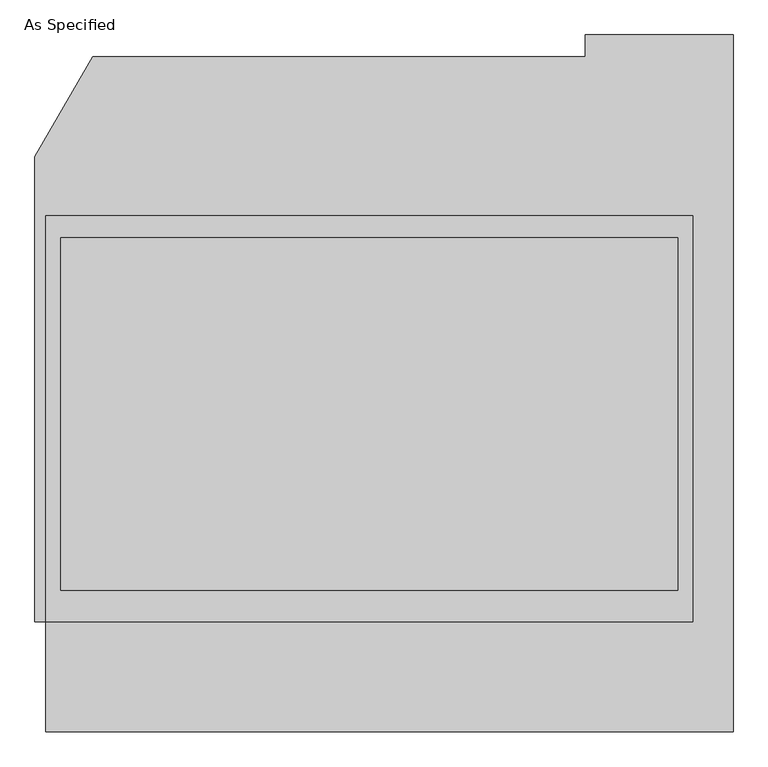
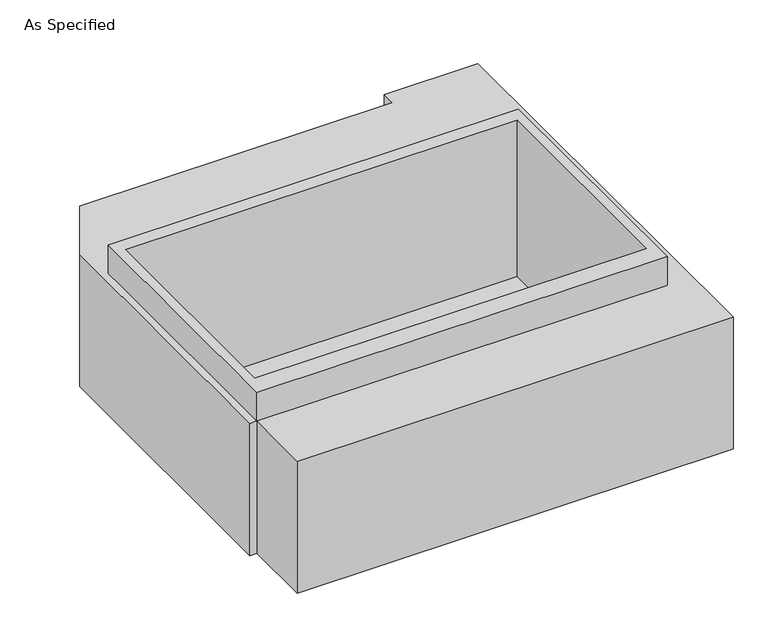
"""IFC4 building model written with IfcOpenShell, lengths in millimetres: proxy geometry, As Specified."""

import ifcopenshell
import ifcopenshell.guid

model = None  # the IFC model being written
_history = None  # IfcOwnerHistory: only IFC2X3 demands one
_inside = {}  # id of a spatial element -> (the spatial element, [elements in it])
_under = {}  # id of a project, library or spatial element -> (it, [spatial elements below it])
_declared = {}  # id of a project -> (the project, [libraries it declares])
_typed = {}  # id of a type object -> (the type object, [elements of that type])
_made_of = {}  # id of a material, layer set ... -> (it, [elements and type objects made of it])


def new_model(schema):
    """Start an empty IFC model of exactly this schema.

    Asked for "IFC4X3", IfcOpenShell would pick the latest addendum, in which some entities
    have other attributes; the version numbers below select the first issue.
    IFC2X3 requires an IfcOwnerHistory on every rooted entity: one is made here for all.
    """
    global model, _history
    if schema == "IFC4X3":
        model = ifcopenshell.file(schema_version=(4, 3, 0, 0))
    else:
        model = ifcopenshell.file(schema=schema)
    _inside.clear()
    _under.clear()
    _declared.clear()
    _typed.clear()
    _made_of.clear()
    _history = None
    if model.schema == "IFC2X3":
        org = make("IfcOrganization", Name="unknown")
        user = make(
            "IfcPersonAndOrganization",
            ThePerson=make("IfcPerson", FamilyName="unknown"),
            TheOrganization=org,
        )
        app = make(
            "IfcApplication",
            ApplicationDeveloper=org,
            Version="unknown",
            ApplicationFullName="unknown",
            ApplicationIdentifier="unknown",
        )
        _history = make(
            "IfcOwnerHistory",
            OwningUser=user,
            OwningApplication=app,
            ChangeAction="ADDED",
            CreationDate=0,
        )
    return model


def make(cls, **values):
    """One entity of the class cls with the attributes given. An attribute that is None is left unset."""
    return model.create_entity(
        cls, **{name: value for name, value in values.items() if value is not None}
    )


def rooted(cls, **values):
    """An entity with a GlobalId (a new one), such as an element, a storey or a relation."""
    return make(cls, GlobalId=ifcopenshell.guid.new(), OwnerHistory=_history, **values)


def si_unit(unit_type, name, prefix=None):
    """IfcSIUnit, for example si_unit("LENGTHUNIT", "METRE", prefix="MILLI")."""
    return make("IfcSIUnit", UnitType=unit_type, Prefix=prefix, Name=name)


def assignment(units):
    """IfcUnitAssignment: the units of a project."""
    return None if units is None else make("IfcUnitAssignment", Units=units)


def point(xyz):
    """IfcCartesianPoint."""
    return None if xyz is None else make("IfcCartesianPoint", Coordinates=xyz)


def direction(xyz):
    """IfcDirection."""
    return None if xyz is None else make("IfcDirection", DirectionRatios=xyz)


def frame(location, z_axis=None, x_axis=None):
    """IfcAxis2Placement3D, a coordinate frame: its origin and axes. An axis left out is left unset."""
    return make(
        "IfcAxis2Placement3D",
        Location=point(location),
        Axis=direction(z_axis),
        RefDirection=direction(x_axis),
    )


def origin():
    """The frame at (0, 0, 0) with its axes left unset."""
    return frame((0.0, 0.0, 0.0))


def place(relative_to, where):
    """IfcLocalPlacement: puts the frame where relative to a parent placement (None: the world)."""
    return make(
        "IfcLocalPlacement", PlacementRelTo=relative_to, RelativePlacement=where
    )


def context(
    kind, dimensions, precision=None, world=None, true_north=None, identifier=None
):
    """IfcGeometricRepresentationContext, for example the 3D "Model" context."""
    return make(
        "IfcGeometricRepresentationContext",
        ContextIdentifier=identifier,
        ContextType=kind,
        CoordinateSpaceDimension=dimensions,
        Precision=precision,
        WorldCoordinateSystem=world,
        TrueNorth=true_north,
    )


def project(units=None, contexts=None):
    """IfcProject with its units and contexts."""
    return rooted(
        "IfcProject",
        Name="project",
        RepresentationContexts=contexts,
        UnitsInContext=assignment(units),
    )


def spatial(cls, under=None, at=None, **own):
    """A site, building, storey or space (cls), placed at a placement, below another one or the project."""
    s = rooted(cls, ObjectPlacement=at, **own)
    if under is not None:
        _under.setdefault(under.id(), (under, []))[1].append(s)
    return s


def faces_of(points, faces, orient=None, outer=None):
    """IfcFace entities. A face is a list of loops; a loop is a list of indices into points, from 0.

    orient and outer hold one flag for each loop. By default every Orientation is true, the
    first loop of a face is its IfcFaceOuterBound and the others are IfcFaceBound.
    """
    made = []
    for i, loops in enumerate(faces):
        bounds = []
        for j, loop in enumerate(loops):
            is_outer = j == 0 if outer is None else outer[i][j]
            bounds.append(
                make(
                    "IfcFaceOuterBound" if is_outer else "IfcFaceBound",
                    Bound=make("IfcPolyLoop", Polygon=[points[k] for k in loop]),
                    Orientation=True if orient is None else orient[i][j],
                )
            )
        made.append(make("IfcFace", Bounds=bounds))
    return made


def faceted_brep(points, faces, orient=None, outer=None, voids=None):
    """IfcFacetedBrep: a solid bounded by flat faces; with voids (closed shells), ...WithVoids."""
    shared = [point(p) for p in points]
    hull = make("IfcClosedShell", CfsFaces=faces_of(shared, faces, orient, outer))
    if voids is None:
        return make("IfcFacetedBrep", Outer=hull)
    return make(
        "IfcFacetedBrepWithVoids",
        Outer=hull,
        Voids=[
            make(cls, CfsFaces=faces_of(shared, fs, o, b)) for cls, fs, o, b in voids
        ],
    )


def shape(context_of_items, identifier, shape_type, items):
    """IfcShapeRepresentation: the items that make up one representation, for example the "Body"."""
    return make(
        "IfcShapeRepresentation",
        ContextOfItems=context_of_items,
        RepresentationIdentifier=identifier,
        RepresentationType=shape_type,
        Items=items,
    )


def source(mapping_origin, context_of_items, identifier, shape_type, items):
    """IfcRepresentationMap: a shape defined once, which mapped items show again and again."""
    return make(
        "IfcRepresentationMap",
        MappingOrigin=mapping_origin,
        MappedRepresentation=shape(context_of_items, identifier, shape_type, items),
    )


def transform(
    local_origin,
    x_axis=None,
    y_axis=None,
    z_axis=None,
    scale=None,
    scale2=None,
    scale3=None,
    uniform=True,
):
    """IfcCartesianTransformationOperator3D, or its non-uniform kind. x_axis, y_axis, z_axis: its Axis1, 2, 3."""
    if uniform:
        return make(
            "IfcCartesianTransformationOperator3D",
            Axis1=direction(x_axis),
            Axis2=direction(y_axis),
            LocalOrigin=point(local_origin),
            Scale=scale,
            Axis3=direction(z_axis),
        )
    return make(
        "IfcCartesianTransformationOperator3DnonUniform",
        Axis1=direction(x_axis),
        Axis2=direction(y_axis),
        LocalOrigin=point(local_origin),
        Scale=scale,
        Axis3=direction(z_axis),
        Scale2=scale2,
        Scale3=scale3,
    )


def mapped(mapping_source, mapping_target):
    """IfcMappedItem: shows the shape of a source again, moved by a transform."""
    return make(
        "IfcMappedItem", MappingSource=mapping_source, MappingTarget=mapping_target
    )


def made_of(thing, what):
    """Note that an element or type object is made of a material, layer set ...; save() writes the relation."""
    if what is not None:
        _made_of.setdefault(what.id(), (what, []))[1].append(thing)
    return thing


def element(
    cls,
    number,
    at=None,
    inside=None,
    cuts=None,
    type_object=None,
    material=None,
    context=None,
    identifier="Body",
    shape_type=None,
    held_by="IfcProductDefinitionShape",
    body=None,
    shapes=None,
    **own,
):
    """One element of the class cls, such as IfcWall. Its Tag is "e" and its number.

    at: its placement. inside: the storey or other place that contains it. cuts: it is an
    opening in that element (IfcRelVoidsElement). A single representation is given by context,
    identifier, shape_type and body (its items); several are given by shapes. held_by: the class
    of the entity that holds the representations. save() writes the other relations.
    """
    e = rooted(cls, Tag="e%d" % number, ObjectPlacement=at, **own)
    if body is not None:
        shapes = [shape(context, identifier, shape_type, body)]
    if shapes is not None:
        e.Representation = make(held_by, Representations=shapes)
    if inside is not None:
        _inside.setdefault(inside.id(), (inside, []))[1].append(e)
    if cuts is not None:
        rooted(
            "IfcRelVoidsElement", RelatingBuildingElement=cuts, RelatedOpeningElement=e
        )
    if type_object is not None:
        _typed.setdefault(type_object.id(), (type_object, []))[1].append(e)
    return made_of(e, material)


def aggregate(whole, parts):
    """IfcRelAggregates: a whole, such as a stair, and the parts it consists of."""
    return rooted("IfcRelAggregates", RelatingObject=whole, RelatedObjects=parts)


def save(model, path):
    """Write the relations noted so far, then the file.

    IfcRelAggregates (storeys below a building ...), IfcRelContainedInSpatialStructure (elements
    in a storey), IfcRelDefinesByType, IfcRelAssociatesMaterial and IfcRelDeclares: one each for
    every whole, place, type object, material and project.
    """
    for whole, parts in _under.values():
        aggregate(whole, parts)
    for where, things in _inside.values():
        rooted(
            "IfcRelContainedInSpatialStructure",
            RelatedElements=things,
            RelatingStructure=where,
        )
    for kind, things in _typed.values():
        rooted("IfcRelDefinesByType", RelatedObjects=things, RelatingType=kind)
    for what, things in _made_of.values():
        rooted("IfcRelAssociatesMaterial", RelatedObjects=things, RelatingMaterial=what)
    for by, libraries in _declared.values():
        rooted("IfcRelDeclares", RelatingContext=by, RelatedDefinitions=libraries)
    model.write(path)


def as_specified_3b442e54(model_context):
    return source(origin(), model_context, "Body", "Brep", [
        faceted_brep([(-1117.6, -1166.5148438, -787.4), (-1117.6, -785.5148438, -787.4), (-1155.7, -785.5148438, -787.4), (-1155.7, 821.0748437, -787.4), (-956.260123, 1166.5148437, -787.4), (747.036606, 1166.5148437, -787.4), (747.036606, 1242.6751562, -787.4), (1257.417856, 1242.6751562, -787.4), (1257.417856, -1166.5148438, -787.4), (-1117.6, -785.5148438, -25.4), (-1117.6, -1166.5148438, -25.4), (1257.417856, -1166.5148438, -25.4), (1257.417856, 1242.6751562, -25.4), (747.036606, 1242.6751562, -25.4), (747.036606, 1166.5148437, -25.4), (-956.260123, 1166.5148437, -25.4), (-1155.7, 821.0748437, -25.4), (-1155.7, -785.5148438, -25.4), (-1117.6, 617.8351562, -25.4), (1117.6, 617.8351562, -25.4), (1117.6, -785.5148438, -25.4), (-1117.6, -785.5148438, -762.0), (1066.8, 541.6748437, -762.0), (-1066.8, 541.6748437, -762.0), (-1066.8, -677.5251563, -762.0), (1066.8, -677.5251563, -762.0), (1117.6, 617.8351562, 139.7), (-1117.6, 617.8351562, 139.7), (-1117.6, -785.5148438, 139.7), (1117.6, -785.5148438, 139.7), (-1066.8, 541.6748437, 139.7), (1066.8, 541.6748437, 139.7), (1066.8, -677.5251563, 139.7), (-1066.8, -677.5251563, 139.7)], [[[0, 1, 2, 3, 4, 5, 6, 7, 8]], [[9, 10, 11, 12, 13, 14, 15, 16, 17, 9, 18, 19, 20]], [[4, 15, 14, 5]], [[2, 17, 16, 3]], [[17, 2, 1, 21, 9]], [[1, 0, 10, 9, 21]], [[10, 0, 8, 11]], [[4, 3, 16, 15]], [[22, 23, 24, 25]], [[8, 7, 12, 11]], [[26, 27, 28, 29], [30, 31, 32, 33]], [[27, 26, 19, 18]], [[28, 27, 18, 9]], [[29, 28, 9, 20]], [[26, 29, 20, 19]], [[31, 30, 23, 22]], [[32, 31, 22, 25]], [[33, 32, 25, 24]], [[30, 33, 24, 23]], [[6, 5, 14, 13]], [[7, 6, 13, 12]]]),
    ])


if __name__ == "__main__":
    model = new_model("IFC4")
    model_context = context("Model", 3, world=origin())
    ifc_project = project(units=[si_unit("LENGTHUNIT", "METRE", prefix="MILLI")], contexts=[model_context])
    site = spatial("IfcSite", under=ifc_project)
    building = spatial("IfcBuilding", under=site)
    placement = place(None, origin())
    as_specified_shape = as_specified_3b442e54(model_context)
    element("IfcBuildingElementProxy", 1, Name="As Specified", ObjectType="As Specified", at=placement, inside=building, context=model_context, shape_type="MappedRepresentation", body=[
        mapped(as_specified_shape, transform((0.0, 0.0, 0.0), x_axis=(1.0, 0.0, 0.0), y_axis=(0.0, 1.0, 0.0), z_axis=(0.0, 0.0, 1.0))),
    ])
    save(model, "model.ifc")
